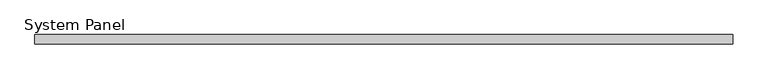
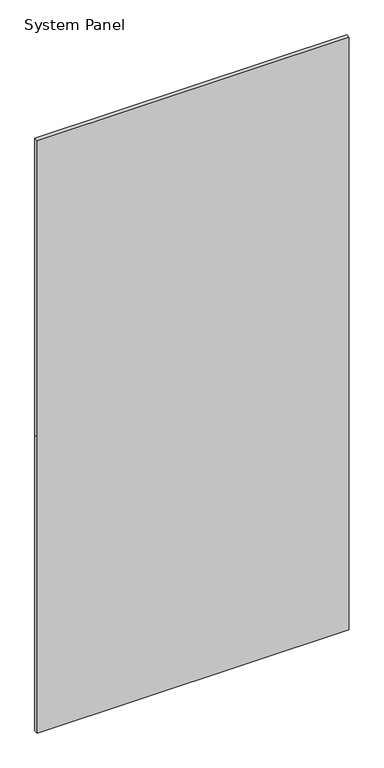
"""IFC4 building model written with IfcOpenShell, lengths in millimetres: plate geometry, System Panel."""

from ifc_helpers import new_model, si_unit, frame, origin, place, context, project, spatial, polyline, outline, extrude, source, transform, mapped, element, save


def system_panel_eb078f98(model_context):
    return source(origin(), model_context, "Body", "SweptSolid", [
        extrude(outline(polyline([(0.0, -595.0), (0.0, 595.0), (1192.5, 595.0), (2387.5, 595.0), (2387.5, -595.0), (1192.5, -595.0), (0.0, -595.0)])), frame((0.0, -8.0, 0.0), z_axis=(0.0, 1.0, 0.0), x_axis=(0.0, 0.0, 1.0)), (0.0, 0.0, 1.0), 16.0),
    ])


if __name__ == "__main__":
    model = new_model("IFC4")
    model_context = context("Model", 3, world=origin())
    ifc_project = project(units=[si_unit("LENGTHUNIT", "METRE", prefix="MILLI")], contexts=[model_context])
    site = spatial("IfcSite", under=ifc_project)
    building = spatial("IfcBuilding", under=site)
    placement = place(None, origin())
    system_panel_shape = system_panel_eb078f98(model_context)
    element("IfcPlate", 1, ObjectType="System Panel", at=placement, inside=building, context=model_context, shape_type="MappedRepresentation", body=[
        mapped(system_panel_shape, transform((0.0, 0.0, 0.0), x_axis=(1.0, 0.0, 0.0), y_axis=(0.0, 1.0, 0.0), z_axis=(0.0, 0.0, 1.0))),
    ])
    save(model, "model.ifc")
